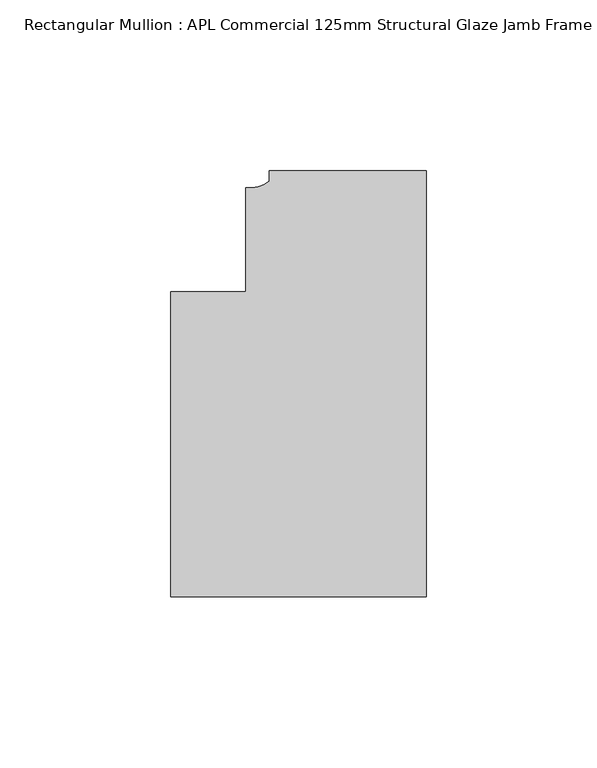
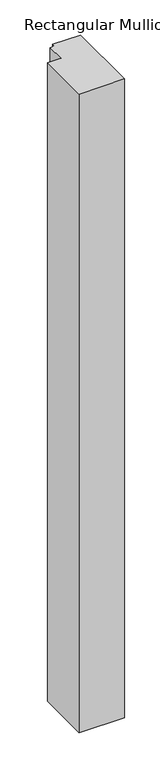
"""IFC4 building model written with IfcOpenShell, lengths in millimetres: member geometry, Rectangular Mullion : APL Commercial 125mm Structural Glaze Jamb Frame (right)."""

from ifc_helpers import new_model, si_unit, point, frame, frame_2d, origin, place, context, project, spatial, polyline, circle_curve, trimmed, segment, composite_curve, outline, extrude, source, transform, mapped, element, save


def rectangular_mullion_apl_commercial_125mm_structural_glaze_497b2717(model_context):
    return source(origin(), model_context, "Body", "SweptSolid", [
        extrude(outline(composite_curve([segment(polyline([(0.0, 20.5), (0.0, -104.5), (-75.0, -104.5), (-75.0, -15.0000829), (-52.9999391, -15.0000829), (-52.9999391, 15.3797475)]), True, "CONTINUOUS"), segment(trimmed(circle_curve(frame_2d((-52.1098019, 25.7981812)), 10.4563907), [point((-52.9999391, 15.3797475))], [point((-46.0, 17.3125212))], True, "CARTESIAN"), True, "CONTINUOUS"), segment(polyline([(-46.0, 17.3125212), (-46.0, 20.5), (0.0, 20.5)]), True, "CONTINUOUS")], self_intersect=False)), frame((0.0, 0.0, -1107.4975005), z_axis=(0.0, 0.0, 1.0), x_axis=(1.0, 0.0, 0.0)), (0.0, 0.0, 1.0), 1107.4975005),
    ])


if __name__ == "__main__":
    model = new_model("IFC4")
    model_context = context("Model", 3, world=origin())
    ifc_project = project(units=[si_unit("LENGTHUNIT", "METRE", prefix="MILLI")], contexts=[model_context])
    site = spatial("IfcSite", under=ifc_project)
    building = spatial("IfcBuilding", under=site)
    placement = place(None, origin())
    rectangular_mullion_apl_commercial_125mm_structural_glaze_shape = rectangular_mullion_apl_commercial_125mm_structural_glaze_497b2717(model_context)
    element("IfcMember", 1, ObjectType="Rectangular Mullion : APL Commercial 125mm Structural Glaze Jamb Frame (right)", at=placement, inside=building, context=model_context, shape_type="MappedRepresentation", body=[
        mapped(rectangular_mullion_apl_commercial_125mm_structural_glaze_shape, transform((0.0, 0.0, 0.0), x_axis=(1.0, 0.0, 0.0), y_axis=(0.0, 1.0, 0.0), z_axis=(0.0, 0.0, 1.0))),
    ])
    save(model, "model.ifc")
